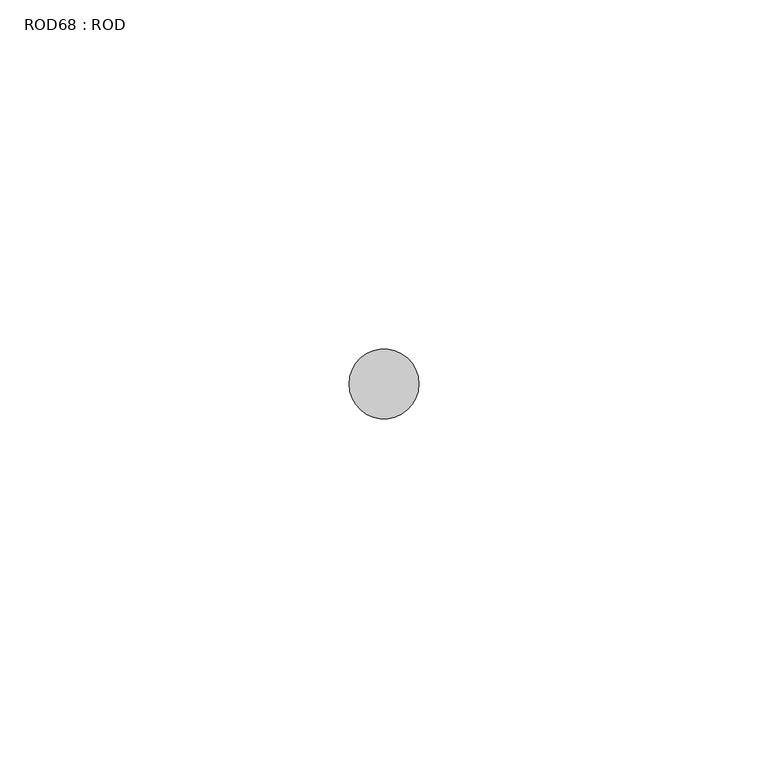
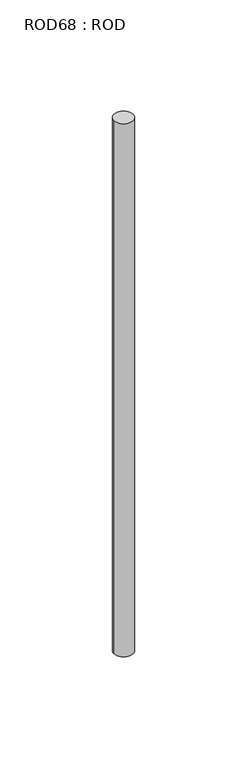
"""IFC4 building model written with IfcOpenShell, lengths in millimetres: proxy geometry, ROD68 : ROD."""

from ifc_helpers import new_model, si_unit, point, frame, frame_2d, origin, place, context, project, spatial, circle_curve, trimmed, segment, composite_curve, outline, extrude, source, transform, mapped, element, save


def rod68_rod_e6078ab3(model_context):
    return source(origin(), model_context, "Body", "SweptSolid", [
        extrude(outline(composite_curve([segment(trimmed(circle_curve(frame_2d((-3500.2326676, -10466.6028424)), 5.0), [point((-3505.2326676, -10466.6028424))], [point((-3495.2326676, -10466.6028424))], False, "CARTESIAN"), True, "CONTINUOUS"), segment(trimmed(circle_curve(frame_2d((-3500.2326676, -10466.6028424)), 5.0), [point((-3495.2326676, -10466.6028424))], [point((-3505.2326676, -10466.6028424))], False, "CARTESIAN"), True, "CONTINUOUS")], self_intersect=False)), frame((0.0, 0.0, -108.6608845), z_axis=(0.0, 0.0, 1.0), x_axis=(1.0, 0.0, 0.0)), (0.0, 0.0, 1.0), 298.9028972),
    ])


if __name__ == "__main__":
    model = new_model("IFC4")
    model_context = context("Model", 3, world=origin())
    ifc_project = project(units=[si_unit("LENGTHUNIT", "METRE", prefix="MILLI")], contexts=[model_context])
    site = spatial("IfcSite", under=ifc_project)
    building = spatial("IfcBuilding", under=site)
    placement = place(None, origin())
    rod68_rod_shape = rod68_rod_e6078ab3(model_context)
    element("IfcBuildingElementProxy", 1, Name="ROD68 : ROD", ObjectType="ROD68 : ROD", at=placement, inside=building, context=model_context, shape_type="MappedRepresentation", body=[
        mapped(rod68_rod_shape, transform((0.0, 0.0, 0.0), x_axis=(1.0, 0.0, 0.0), y_axis=(0.0, 1.0, 0.0), z_axis=(0.0, 0.0, 1.0))),
    ])
    save(model, "model.ifc")
